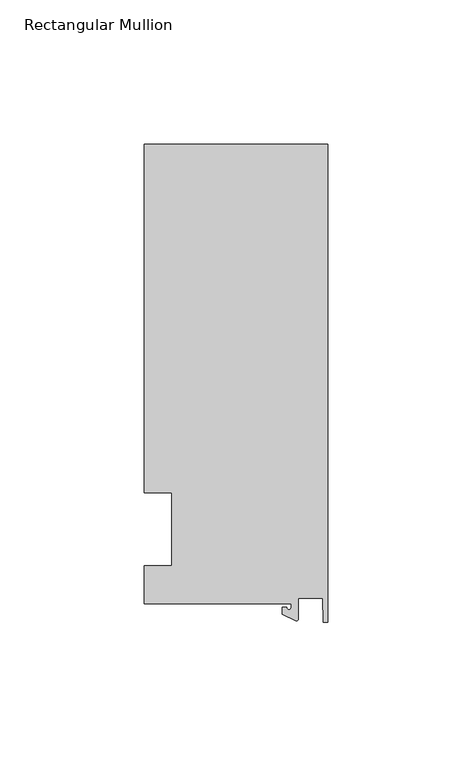
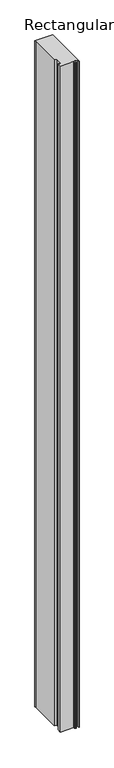
"""IFC4 building model written with IfcOpenShell, lengths in millimetres: member geometry, Rectangular Mullion."""

from ifc_helpers import new_model, si_unit, point, frame, frame_2d, origin, place, context, project, spatial, polyline, circle_curve, trimmed, segment, composite_curve, outline, extrude, source, transform, mapped, element, save


def rectangular_mullion_558409b5(model_context):
    return source(origin(), model_context, "Body", "SweptSolid", [
        extrude(outline(composite_curve([segment(polyline([(-12.6173814, -25.796875), (-63.5, -25.796875), (-63.5, -12.7), (-53.975, -12.7), (-53.975, 12.7), (-63.5, 12.7), (-63.5, 125.8114907), (-63.5, 133.34365), (0.0, 133.34365), (0.0, -32.288874), (-1.5658966, -32.288874), (-1.7144124, -23.9227662), (-10.2297814, -23.9227662), (-10.2297814, -31.2414327)]), True, "CONTINUOUS"), segment(trimmed(circle_curve(frame_2d((-10.7377814, -31.2414327)), 0.508), [point((-10.2297814, -31.2414327))], [point((-10.9524715, -31.7018371))], False, "CARTESIAN"), True, "CONTINUOUS"), segment(polyline([(-10.9524715, -31.7018371), (-15.7923814, -29.44495), (-15.7923814, -27.0827507), (-14.2048814, -27.0827507)]), True, "CONTINUOUS"), segment(trimmed(circle_curve(frame_2d((-13.4111314, -27.0827507)), 0.79375), [point((-14.2048814, -27.0827507))], [point((-12.6173814, -27.0827507))], True, "CARTESIAN"), True, "CONTINUOUS"), segment(polyline([(-12.6173814, -27.0827507), (-12.6173814, -25.796875)]), True, "CONTINUOUS")], self_intersect=False)), frame((0.0, 0.0, -2540.0), z_axis=(0.0, 0.0, 1.0), x_axis=(1.0, 0.0, 0.0)), (0.0, 0.0, 1.0), 2540.0),
    ])


if __name__ == "__main__":
    model = new_model("IFC4")
    model_context = context("Model", 3, world=origin())
    ifc_project = project(units=[si_unit("LENGTHUNIT", "METRE", prefix="MILLI")], contexts=[model_context])
    site = spatial("IfcSite", under=ifc_project)
    building = spatial("IfcBuilding", under=site)
    placement = place(None, origin())
    rectangular_mullion_shape = rectangular_mullion_558409b5(model_context)
    element("IfcMember", 1, ObjectType="Rectangular Mullion", at=placement, inside=building, context=model_context, shape_type="MappedRepresentation", body=[
        mapped(rectangular_mullion_shape, transform((0.0, 0.0, 0.0), x_axis=(1.0, 0.0, 0.0), y_axis=(0.0, 1.0, 0.0), z_axis=(0.0, 0.0, 1.0))),
    ])
    save(model, "model.ifc")
